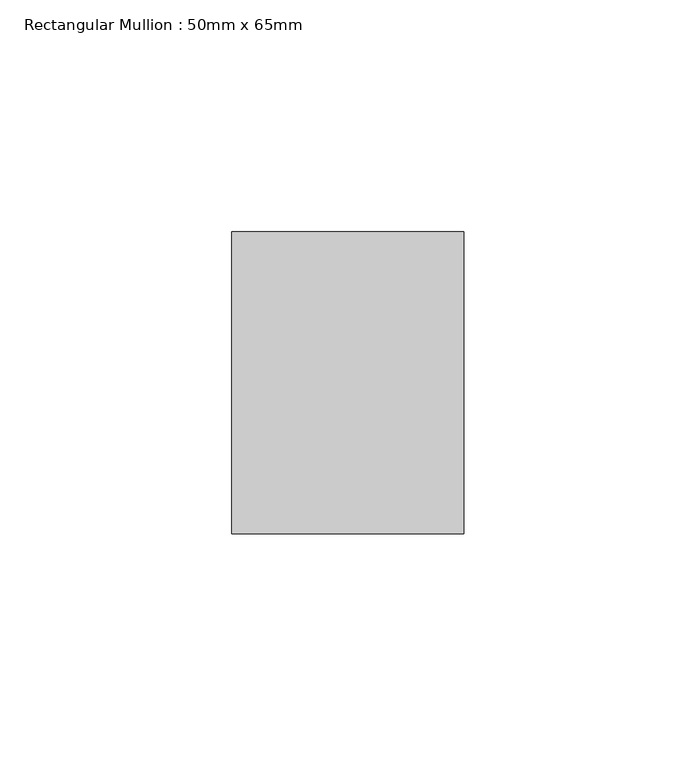
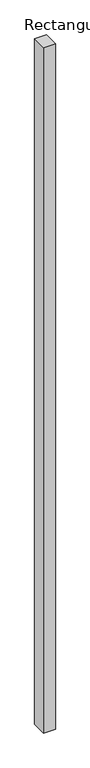
"""IFC4 building model written with IfcOpenShell, lengths in millimetres: member geometry, Rectangular Mullion : 50mm x 65mm."""

import ifcopenshell
import ifcopenshell.guid

model = None  # the IFC model being written
_history = None  # IfcOwnerHistory: only IFC2X3 demands one
_inside = {}  # id of a spatial element -> (the spatial element, [elements in it])
_under = {}  # id of a project, library or spatial element -> (it, [spatial elements below it])
_declared = {}  # id of a project -> (the project, [libraries it declares])
_typed = {}  # id of a type object -> (the type object, [elements of that type])
_made_of = {}  # id of a material, layer set ... -> (it, [elements and type objects made of it])


def new_model(schema):
    """Start an empty IFC model of exactly this schema.

    Asked for "IFC4X3", IfcOpenShell would pick the latest addendum, in which some entities
    have other attributes; the version numbers below select the first issue.
    IFC2X3 requires an IfcOwnerHistory on every rooted entity: one is made here for all.
    """
    global model, _history
    if schema == "IFC4X3":
        model = ifcopenshell.file(schema_version=(4, 3, 0, 0))
    else:
        model = ifcopenshell.file(schema=schema)
    _inside.clear()
    _under.clear()
    _declared.clear()
    _typed.clear()
    _made_of.clear()
    _history = None
    if model.schema == "IFC2X3":
        org = make("IfcOrganization", Name="unknown")
        user = make(
            "IfcPersonAndOrganization",
            ThePerson=make("IfcPerson", FamilyName="unknown"),
            TheOrganization=org,
        )
        app = make(
            "IfcApplication",
            ApplicationDeveloper=org,
            Version="unknown",
            ApplicationFullName="unknown",
            ApplicationIdentifier="unknown",
        )
        _history = make(
            "IfcOwnerHistory",
            OwningUser=user,
            OwningApplication=app,
            ChangeAction="ADDED",
            CreationDate=0,
        )
    return model


def make(cls, **values):
    """One entity of the class cls with the attributes given. An attribute that is None is left unset."""
    return model.create_entity(
        cls, **{name: value for name, value in values.items() if value is not None}
    )


def rooted(cls, **values):
    """An entity with a GlobalId (a new one), such as an element, a storey or a relation."""
    return make(cls, GlobalId=ifcopenshell.guid.new(), OwnerHistory=_history, **values)


def si_unit(unit_type, name, prefix=None):
    """IfcSIUnit, for example si_unit("LENGTHUNIT", "METRE", prefix="MILLI")."""
    return make("IfcSIUnit", UnitType=unit_type, Prefix=prefix, Name=name)


def assignment(units):
    """IfcUnitAssignment: the units of a project."""
    return None if units is None else make("IfcUnitAssignment", Units=units)


def point(xyz):
    """IfcCartesianPoint."""
    return None if xyz is None else make("IfcCartesianPoint", Coordinates=xyz)


def direction(xyz):
    """IfcDirection."""
    return None if xyz is None else make("IfcDirection", DirectionRatios=xyz)


def frame(location, z_axis=None, x_axis=None):
    """IfcAxis2Placement3D, a coordinate frame: its origin and axes. An axis left out is left unset."""
    return make(
        "IfcAxis2Placement3D",
        Location=point(location),
        Axis=direction(z_axis),
        RefDirection=direction(x_axis),
    )


def origin():
    """The frame at (0, 0, 0) with its axes left unset."""
    return frame((0.0, 0.0, 0.0))


def place(relative_to, where):
    """IfcLocalPlacement: puts the frame where relative to a parent placement (None: the world)."""
    return make(
        "IfcLocalPlacement", PlacementRelTo=relative_to, RelativePlacement=where
    )


def context(
    kind, dimensions, precision=None, world=None, true_north=None, identifier=None
):
    """IfcGeometricRepresentationContext, for example the 3D "Model" context."""
    return make(
        "IfcGeometricRepresentationContext",
        ContextIdentifier=identifier,
        ContextType=kind,
        CoordinateSpaceDimension=dimensions,
        Precision=precision,
        WorldCoordinateSystem=world,
        TrueNorth=true_north,
    )


def project(units=None, contexts=None):
    """IfcProject with its units and contexts."""
    return rooted(
        "IfcProject",
        Name="project",
        RepresentationContexts=contexts,
        UnitsInContext=assignment(units),
    )


def spatial(cls, under=None, at=None, **own):
    """A site, building, storey or space (cls), placed at a placement, below another one or the project."""
    s = rooted(cls, ObjectPlacement=at, **own)
    if under is not None:
        _under.setdefault(under.id(), (under, []))[1].append(s)
    return s


def polyline(points):
    """IfcPolyline through the points."""
    return make("IfcPolyline", Points=[point(p) for p in points])


def outline(outer, holes=None, kind="AREA"):
    """IfcArbitraryClosedProfileDef: a profile drawn as a closed curve; with holes, ...WithVoids."""
    if holes is None:
        return make("IfcArbitraryClosedProfileDef", ProfileType=kind, OuterCurve=outer)
    return make(
        "IfcArbitraryProfileDefWithVoids",
        ProfileType=kind,
        OuterCurve=outer,
        InnerCurves=holes,
    )


def extrude(swept, where, along, depth):
    """IfcExtrudedAreaSolid: the profile swept, set in the frame where, extruded along a direction by depth."""
    return make(
        "IfcExtrudedAreaSolid",
        SweptArea=swept,
        Position=where,
        ExtrudedDirection=direction(along),
        Depth=depth,
    )


def shape(context_of_items, identifier, shape_type, items):
    """IfcShapeRepresentation: the items that make up one representation, for example the "Body"."""
    return make(
        "IfcShapeRepresentation",
        ContextOfItems=context_of_items,
        RepresentationIdentifier=identifier,
        RepresentationType=shape_type,
        Items=items,
    )


def source(mapping_origin, context_of_items, identifier, shape_type, items):
    """IfcRepresentationMap: a shape defined once, which mapped items show again and again."""
    return make(
        "IfcRepresentationMap",
        MappingOrigin=mapping_origin,
        MappedRepresentation=shape(context_of_items, identifier, shape_type, items),
    )


def transform(
    local_origin,
    x_axis=None,
    y_axis=None,
    z_axis=None,
    scale=None,
    scale2=None,
    scale3=None,
    uniform=True,
):
    """IfcCartesianTransformationOperator3D, or its non-uniform kind. x_axis, y_axis, z_axis: its Axis1, 2, 3."""
    if uniform:
        return make(
            "IfcCartesianTransformationOperator3D",
            Axis1=direction(x_axis),
            Axis2=direction(y_axis),
            LocalOrigin=point(local_origin),
            Scale=scale,
            Axis3=direction(z_axis),
        )
    return make(
        "IfcCartesianTransformationOperator3DnonUniform",
        Axis1=direction(x_axis),
        Axis2=direction(y_axis),
        LocalOrigin=point(local_origin),
        Scale=scale,
        Axis3=direction(z_axis),
        Scale2=scale2,
        Scale3=scale3,
    )


def mapped(mapping_source, mapping_target):
    """IfcMappedItem: shows the shape of a source again, moved by a transform."""
    return make(
        "IfcMappedItem", MappingSource=mapping_source, MappingTarget=mapping_target
    )


def made_of(thing, what):
    """Note that an element or type object is made of a material, layer set ...; save() writes the relation."""
    if what is not None:
        _made_of.setdefault(what.id(), (what, []))[1].append(thing)
    return thing


def element(
    cls,
    number,
    at=None,
    inside=None,
    cuts=None,
    type_object=None,
    material=None,
    context=None,
    identifier="Body",
    shape_type=None,
    held_by="IfcProductDefinitionShape",
    body=None,
    shapes=None,
    **own,
):
    """One element of the class cls, such as IfcWall. Its Tag is "e" and its number.

    at: its placement. inside: the storey or other place that contains it. cuts: it is an
    opening in that element (IfcRelVoidsElement). A single representation is given by context,
    identifier, shape_type and body (its items); several are given by shapes. held_by: the class
    of the entity that holds the representations. save() writes the other relations.
    """
    e = rooted(cls, Tag="e%d" % number, ObjectPlacement=at, **own)
    if body is not None:
        shapes = [shape(context, identifier, shape_type, body)]
    if shapes is not None:
        e.Representation = make(held_by, Representations=shapes)
    if inside is not None:
        _inside.setdefault(inside.id(), (inside, []))[1].append(e)
    if cuts is not None:
        rooted(
            "IfcRelVoidsElement", RelatingBuildingElement=cuts, RelatedOpeningElement=e
        )
    if type_object is not None:
        _typed.setdefault(type_object.id(), (type_object, []))[1].append(e)
    return made_of(e, material)


def aggregate(whole, parts):
    """IfcRelAggregates: a whole, such as a stair, and the parts it consists of."""
    return rooted("IfcRelAggregates", RelatingObject=whole, RelatedObjects=parts)


def save(model, path):
    """Write the relations noted so far, then the file.

    IfcRelAggregates (storeys below a building ...), IfcRelContainedInSpatialStructure (elements
    in a storey), IfcRelDefinesByType, IfcRelAssociatesMaterial and IfcRelDeclares: one each for
    every whole, place, type object, material and project.
    """
    for whole, parts in _under.values():
        aggregate(whole, parts)
    for where, things in _inside.values():
        rooted(
            "IfcRelContainedInSpatialStructure",
            RelatedElements=things,
            RelatingStructure=where,
        )
    for kind, things in _typed.values():
        rooted("IfcRelDefinesByType", RelatedObjects=things, RelatingType=kind)
    for what, things in _made_of.values():
        rooted("IfcRelAssociatesMaterial", RelatedObjects=things, RelatingMaterial=what)
    for by, libraries in _declared.values():
        rooted("IfcRelDeclares", RelatingContext=by, RelatedDefinitions=libraries)
    model.write(path)


def rectangular_mullion_50mm_x_65mm_9a68c0c6(model_context):
    return source(origin(), model_context, "Body", "SweptSolid", [
        extrude(outline(polyline([(25.0, 32.5), (25.0, -32.5), (-25.0, -32.5), (-25.0, 32.5), (25.0, 32.5)])), frame((0.0, 0.0, -3078.7109904), z_axis=(0.0, 0.0, 1.0), x_axis=(1.0, 0.0, 0.0)), (0.0, 0.0, 1.0), 3078.7109904),
    ])


if __name__ == "__main__":
    model = new_model("IFC4")
    model_context = context("Model", 3, world=origin())
    ifc_project = project(units=[si_unit("LENGTHUNIT", "METRE", prefix="MILLI")], contexts=[model_context])
    site = spatial("IfcSite", under=ifc_project)
    building = spatial("IfcBuilding", under=site)
    placement = place(None, origin())
    rectangular_mullion_50mm_x_65mm_shape = rectangular_mullion_50mm_x_65mm_9a68c0c6(model_context)
    element("IfcMember", 1, ObjectType="Rectangular Mullion : 50mm x 65mm", at=placement, inside=building, context=model_context, shape_type="MappedRepresentation", body=[
        mapped(rectangular_mullion_50mm_x_65mm_shape, transform((0.0, 0.0, 0.0), x_axis=(1.0, 0.0, 0.0), y_axis=(0.0, 1.0, 0.0), z_axis=(0.0, 0.0, 1.0))),
    ])
    save(model, "model.ifc")
